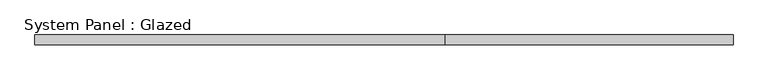
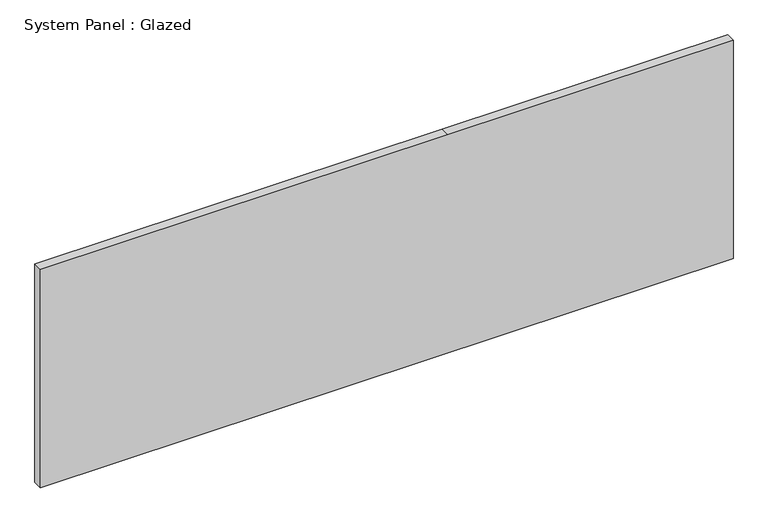
"""IFC4 building model written with IfcOpenShell, lengths in millimetres: plate geometry, System Panel : Glazed."""

from ifc_helpers import new_model, si_unit, frame, origin, place, context, project, spatial, polyline, outline, extrude, source, transform, mapped, element, save


def system_panel_glazed_9772056e(model_context):
    return source(origin(), model_context, "Body", "SweptSolid", [
        extrude(outline(polyline([(0.0, -914.4), (0.0, 914.4), (609.6, 914.4), (609.6, 160.6916255), (609.6, -914.4), (0.0, -914.4)])), frame((0.0, 19.05, 0.0), z_axis=(0.0, 1.0, 0.0), x_axis=(0.0, 0.0, 1.0)), (0.0, 0.0, 1.0), 25.4),
    ])


if __name__ == "__main__":
    model = new_model("IFC4")
    model_context = context("Model", 3, world=origin())
    ifc_project = project(units=[si_unit("LENGTHUNIT", "METRE", prefix="MILLI")], contexts=[model_context])
    site = spatial("IfcSite", under=ifc_project)
    building = spatial("IfcBuilding", under=site)
    placement = place(None, origin())
    system_panel_glazed_shape = system_panel_glazed_9772056e(model_context)
    element("IfcPlate", 1, ObjectType="System Panel : Glazed", at=placement, inside=building, context=model_context, shape_type="MappedRepresentation", body=[
        mapped(system_panel_glazed_shape, transform((0.0, 0.0, 0.0), x_axis=(1.0, 0.0, 0.0), y_axis=(0.0, 1.0, 0.0), z_axis=(0.0, 0.0, 1.0))),
    ])
    save(model, "model.ifc")
